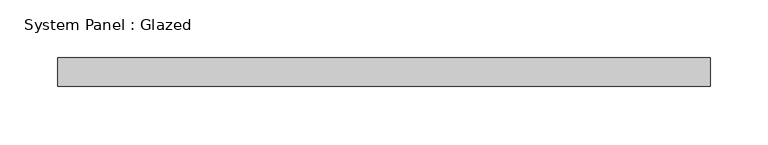
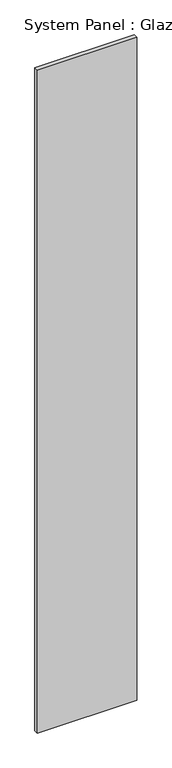
"""IFC4 building model written with IfcOpenShell, lengths in millimetres: plate geometry, System Panel : Glazed."""

import ifcopenshell
import ifcopenshell.guid

model = None  # the IFC model being written
_history = None  # IfcOwnerHistory: only IFC2X3 demands one
_inside = {}  # id of a spatial element -> (the spatial element, [elements in it])
_under = {}  # id of a project, library or spatial element -> (it, [spatial elements below it])
_declared = {}  # id of a project -> (the project, [libraries it declares])
_typed = {}  # id of a type object -> (the type object, [elements of that type])
_made_of = {}  # id of a material, layer set ... -> (it, [elements and type objects made of it])


def new_model(schema):
    """Start an empty IFC model of exactly this schema.

    Asked for "IFC4X3", IfcOpenShell would pick the latest addendum, in which some entities
    have other attributes; the version numbers below select the first issue.
    IFC2X3 requires an IfcOwnerHistory on every rooted entity: one is made here for all.
    """
    global model, _history
    if schema == "IFC4X3":
        model = ifcopenshell.file(schema_version=(4, 3, 0, 0))
    else:
        model = ifcopenshell.file(schema=schema)
    _inside.clear()
    _under.clear()
    _declared.clear()
    _typed.clear()
    _made_of.clear()
    _history = None
    if model.schema == "IFC2X3":
        org = make("IfcOrganization", Name="unknown")
        user = make(
            "IfcPersonAndOrganization",
            ThePerson=make("IfcPerson", FamilyName="unknown"),
            TheOrganization=org,
        )
        app = make(
            "IfcApplication",
            ApplicationDeveloper=org,
            Version="unknown",
            ApplicationFullName="unknown",
            ApplicationIdentifier="unknown",
        )
        _history = make(
            "IfcOwnerHistory",
            OwningUser=user,
            OwningApplication=app,
            ChangeAction="ADDED",
            CreationDate=0,
        )
    return model


def make(cls, **values):
    """One entity of the class cls with the attributes given. An attribute that is None is left unset."""
    return model.create_entity(
        cls, **{name: value for name, value in values.items() if value is not None}
    )


def rooted(cls, **values):
    """An entity with a GlobalId (a new one), such as an element, a storey or a relation."""
    return make(cls, GlobalId=ifcopenshell.guid.new(), OwnerHistory=_history, **values)


def si_unit(unit_type, name, prefix=None):
    """IfcSIUnit, for example si_unit("LENGTHUNIT", "METRE", prefix="MILLI")."""
    return make("IfcSIUnit", UnitType=unit_type, Prefix=prefix, Name=name)


def assignment(units):
    """IfcUnitAssignment: the units of a project."""
    return None if units is None else make("IfcUnitAssignment", Units=units)


def point(xyz):
    """IfcCartesianPoint."""
    return None if xyz is None else make("IfcCartesianPoint", Coordinates=xyz)


def direction(xyz):
    """IfcDirection."""
    return None if xyz is None else make("IfcDirection", DirectionRatios=xyz)


def frame(location, z_axis=None, x_axis=None):
    """IfcAxis2Placement3D, a coordinate frame: its origin and axes. An axis left out is left unset."""
    return make(
        "IfcAxis2Placement3D",
        Location=point(location),
        Axis=direction(z_axis),
        RefDirection=direction(x_axis),
    )


def origin():
    """The frame at (0, 0, 0) with its axes left unset."""
    return frame((0.0, 0.0, 0.0))


def origin_with_axes():
    """The frame at (0, 0, 0) with the z axis (0, 0, 1) and the x axis (1, 0, 0) written out."""
    return frame((0.0, 0.0, 0.0), z_axis=(0.0, 0.0, 1.0), x_axis=(1.0, 0.0, 0.0))


def place(relative_to, where):
    """IfcLocalPlacement: puts the frame where relative to a parent placement (None: the world)."""
    return make(
        "IfcLocalPlacement", PlacementRelTo=relative_to, RelativePlacement=where
    )


def context(
    kind, dimensions, precision=None, world=None, true_north=None, identifier=None
):
    """IfcGeometricRepresentationContext, for example the 3D "Model" context."""
    return make(
        "IfcGeometricRepresentationContext",
        ContextIdentifier=identifier,
        ContextType=kind,
        CoordinateSpaceDimension=dimensions,
        Precision=precision,
        WorldCoordinateSystem=world,
        TrueNorth=true_north,
    )


def project(units=None, contexts=None):
    """IfcProject with its units and contexts."""
    return rooted(
        "IfcProject",
        Name="project",
        RepresentationContexts=contexts,
        UnitsInContext=assignment(units),
    )


def spatial(cls, under=None, at=None, **own):
    """A site, building, storey or space (cls), placed at a placement, below another one or the project."""
    s = rooted(cls, ObjectPlacement=at, **own)
    if under is not None:
        _under.setdefault(under.id(), (under, []))[1].append(s)
    return s


def polyline(points):
    """IfcPolyline through the points."""
    return make("IfcPolyline", Points=[point(p) for p in points])


def outline(outer, holes=None, kind="AREA"):
    """IfcArbitraryClosedProfileDef: a profile drawn as a closed curve; with holes, ...WithVoids."""
    if holes is None:
        return make("IfcArbitraryClosedProfileDef", ProfileType=kind, OuterCurve=outer)
    return make(
        "IfcArbitraryProfileDefWithVoids",
        ProfileType=kind,
        OuterCurve=outer,
        InnerCurves=holes,
    )


def extrude(swept, where, along, depth):
    """IfcExtrudedAreaSolid: the profile swept, set in the frame where, extruded along a direction by depth."""
    return make(
        "IfcExtrudedAreaSolid",
        SweptArea=swept,
        Position=where,
        ExtrudedDirection=direction(along),
        Depth=depth,
    )


def shape(context_of_items, identifier, shape_type, items):
    """IfcShapeRepresentation: the items that make up one representation, for example the "Body"."""
    return make(
        "IfcShapeRepresentation",
        ContextOfItems=context_of_items,
        RepresentationIdentifier=identifier,
        RepresentationType=shape_type,
        Items=items,
    )


def source(mapping_origin, context_of_items, identifier, shape_type, items):
    """IfcRepresentationMap: a shape defined once, which mapped items show again and again."""
    return make(
        "IfcRepresentationMap",
        MappingOrigin=mapping_origin,
        MappedRepresentation=shape(context_of_items, identifier, shape_type, items),
    )


def transform(
    local_origin,
    x_axis=None,
    y_axis=None,
    z_axis=None,
    scale=None,
    scale2=None,
    scale3=None,
    uniform=True,
):
    """IfcCartesianTransformationOperator3D, or its non-uniform kind. x_axis, y_axis, z_axis: its Axis1, 2, 3."""
    if uniform:
        return make(
            "IfcCartesianTransformationOperator3D",
            Axis1=direction(x_axis),
            Axis2=direction(y_axis),
            LocalOrigin=point(local_origin),
            Scale=scale,
            Axis3=direction(z_axis),
        )
    return make(
        "IfcCartesianTransformationOperator3DnonUniform",
        Axis1=direction(x_axis),
        Axis2=direction(y_axis),
        LocalOrigin=point(local_origin),
        Scale=scale,
        Axis3=direction(z_axis),
        Scale2=scale2,
        Scale3=scale3,
    )


def mapped(mapping_source, mapping_target):
    """IfcMappedItem: shows the shape of a source again, moved by a transform."""
    return make(
        "IfcMappedItem", MappingSource=mapping_source, MappingTarget=mapping_target
    )


def made_of(thing, what):
    """Note that an element or type object is made of a material, layer set ...; save() writes the relation."""
    if what is not None:
        _made_of.setdefault(what.id(), (what, []))[1].append(thing)
    return thing


def element(
    cls,
    number,
    at=None,
    inside=None,
    cuts=None,
    type_object=None,
    material=None,
    context=None,
    identifier="Body",
    shape_type=None,
    held_by="IfcProductDefinitionShape",
    body=None,
    shapes=None,
    **own,
):
    """One element of the class cls, such as IfcWall. Its Tag is "e" and its number.

    at: its placement. inside: the storey or other place that contains it. cuts: it is an
    opening in that element (IfcRelVoidsElement). A single representation is given by context,
    identifier, shape_type and body (its items); several are given by shapes. held_by: the class
    of the entity that holds the representations. save() writes the other relations.
    """
    e = rooted(cls, Tag="e%d" % number, ObjectPlacement=at, **own)
    if body is not None:
        shapes = [shape(context, identifier, shape_type, body)]
    if shapes is not None:
        e.Representation = make(held_by, Representations=shapes)
    if inside is not None:
        _inside.setdefault(inside.id(), (inside, []))[1].append(e)
    if cuts is not None:
        rooted(
            "IfcRelVoidsElement", RelatingBuildingElement=cuts, RelatedOpeningElement=e
        )
    if type_object is not None:
        _typed.setdefault(type_object.id(), (type_object, []))[1].append(e)
    return made_of(e, material)


def aggregate(whole, parts):
    """IfcRelAggregates: a whole, such as a stair, and the parts it consists of."""
    return rooted("IfcRelAggregates", RelatingObject=whole, RelatedObjects=parts)


def save(model, path):
    """Write the relations noted so far, then the file.

    IfcRelAggregates (storeys below a building ...), IfcRelContainedInSpatialStructure (elements
    in a storey), IfcRelDefinesByType, IfcRelAssociatesMaterial and IfcRelDeclares: one each for
    every whole, place, type object, material and project.
    """
    for whole, parts in _under.values():
        aggregate(whole, parts)
    for where, things in _inside.values():
        rooted(
            "IfcRelContainedInSpatialStructure",
            RelatedElements=things,
            RelatingStructure=where,
        )
    for kind, things in _typed.values():
        rooted("IfcRelDefinesByType", RelatedObjects=things, RelatingType=kind)
    for what, things in _made_of.values():
        rooted("IfcRelAssociatesMaterial", RelatedObjects=things, RelatingMaterial=what)
    for by, libraries in _declared.values():
        rooted("IfcRelDeclares", RelatingContext=by, RelatedDefinitions=libraries)
    model.write(path)


def system_panel_glazed_dbb0c033(model_context):
    return source(origin(), model_context, "Body", "SweptSolid", [
        extrude(outline(polyline([(283.3333335, 24.5), (-283.3333335, 24.5), (-283.3333335, 49.5), (283.3333335, 49.5), (283.3333335, 24.5)])), origin_with_axes(), (0.0, 0.0, 1.0), 4000.0),
    ])


if __name__ == "__main__":
    model = new_model("IFC4")
    model_context = context("Model", 3, world=origin())
    ifc_project = project(units=[si_unit("LENGTHUNIT", "METRE", prefix="MILLI")], contexts=[model_context])
    site = spatial("IfcSite", under=ifc_project)
    building = spatial("IfcBuilding", under=site)
    placement = place(None, origin())
    system_panel_glazed_shape = system_panel_glazed_dbb0c033(model_context)
    element("IfcPlate", 1, ObjectType="System Panel : Glazed", at=placement, inside=building, context=model_context, shape_type="MappedRepresentation", body=[
        mapped(system_panel_glazed_shape, transform((0.0, 0.0, 0.0), x_axis=(1.0, 0.0, 0.0), y_axis=(0.0, 1.0, 0.0), z_axis=(0.0, 0.0, 1.0))),
    ])
    save(model, "model.ifc")
